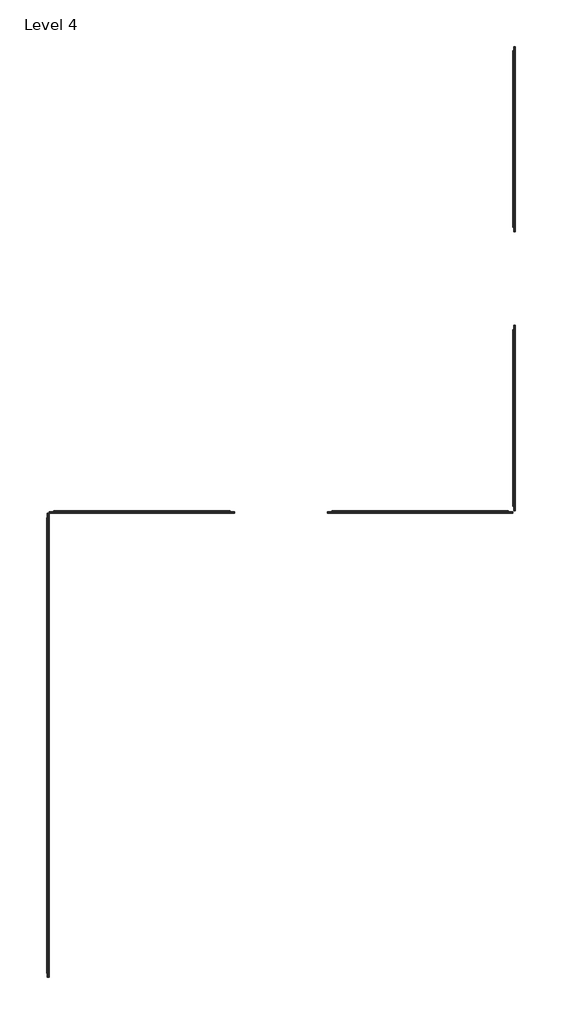
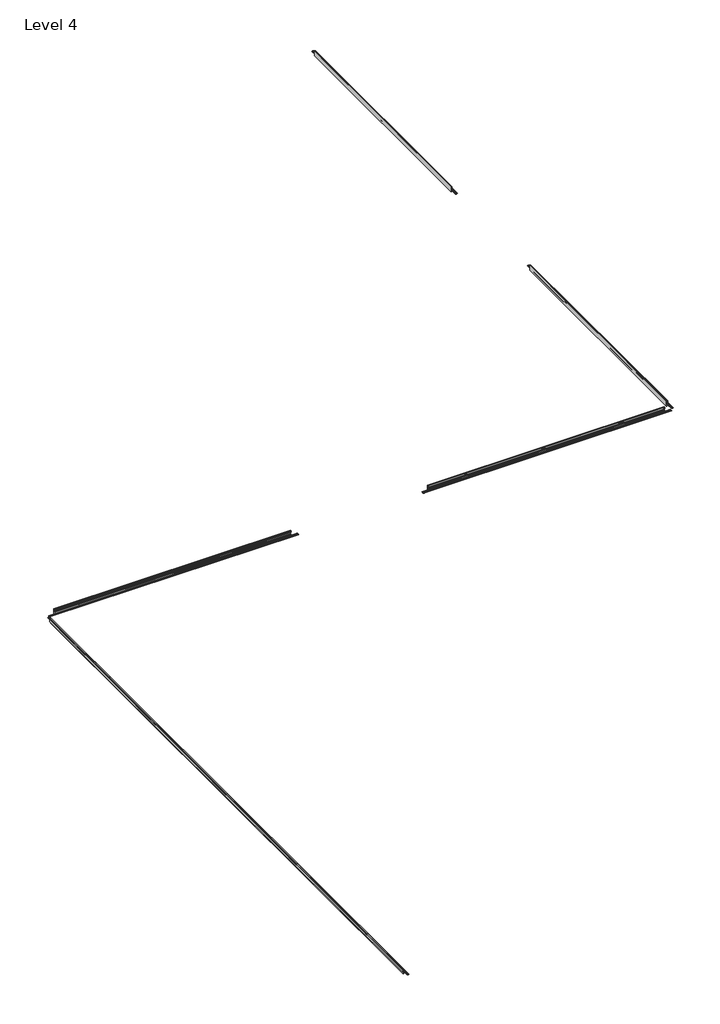
# One storey: 5 proxies.
"""IFC4 building model written with IfcOpenShell, lengths in millimetres."""

import ifcopenshell
import ifcopenshell.guid

model = None  # the IFC model being written
_history = None  # IfcOwnerHistory: only IFC2X3 demands one
_inside = {}  # id of a spatial element -> (the spatial element, [elements in it])
_under = {}  # id of a project, library or spatial element -> (it, [spatial elements below it])
_declared = {}  # id of a project -> (the project, [libraries it declares])
_typed = {}  # id of a type object -> (the type object, [elements of that type])
_made_of = {}  # id of a material, layer set ... -> (it, [elements and type objects made of it])


def new_model(schema):
    """Start an empty IFC model of exactly this schema.

    Asked for "IFC4X3", IfcOpenShell would pick the latest addendum, in which some entities
    have other attributes; the version numbers below select the first issue.
    IFC2X3 requires an IfcOwnerHistory on every rooted entity: one is made here for all.
    """
    global model, _history
    if schema == "IFC4X3":
        model = ifcopenshell.file(schema_version=(4, 3, 0, 0))
    else:
        model = ifcopenshell.file(schema=schema)
    _inside.clear()
    _under.clear()
    _declared.clear()
    _typed.clear()
    _made_of.clear()
    _history = None
    if model.schema == "IFC2X3":
        org = make("IfcOrganization", Name="unknown")
        user = make(
            "IfcPersonAndOrganization",
            ThePerson=make("IfcPerson", FamilyName="unknown"),
            TheOrganization=org,
        )
        app = make(
            "IfcApplication",
            ApplicationDeveloper=org,
            Version="unknown",
            ApplicationFullName="unknown",
            ApplicationIdentifier="unknown",
        )
        _history = make(
            "IfcOwnerHistory",
            OwningUser=user,
            OwningApplication=app,
            ChangeAction="ADDED",
            CreationDate=0,
        )
    return model


def make(cls, **values):
    """One entity of the class cls with the attributes given. An attribute that is None is left unset."""
    return model.create_entity(
        cls, **{name: value for name, value in values.items() if value is not None}
    )


def rooted(cls, **values):
    """An entity with a GlobalId (a new one), such as an element, a storey or a relation."""
    return make(cls, GlobalId=ifcopenshell.guid.new(), OwnerHistory=_history, **values)


def si_unit(unit_type, name, prefix=None):
    """IfcSIUnit, for example si_unit("LENGTHUNIT", "METRE", prefix="MILLI")."""
    return make("IfcSIUnit", UnitType=unit_type, Prefix=prefix, Name=name)


def assignment(units):
    """IfcUnitAssignment: the units of a project."""
    return None if units is None else make("IfcUnitAssignment", Units=units)


def point(xyz):
    """IfcCartesianPoint."""
    return None if xyz is None else make("IfcCartesianPoint", Coordinates=xyz)


def direction(xyz):
    """IfcDirection."""
    return None if xyz is None else make("IfcDirection", DirectionRatios=xyz)


def frame(location, z_axis=None, x_axis=None):
    """IfcAxis2Placement3D, a coordinate frame: its origin and axes. An axis left out is left unset."""
    return make(
        "IfcAxis2Placement3D",
        Location=point(location),
        Axis=direction(z_axis),
        RefDirection=direction(x_axis),
    )


def origin():
    """The frame at (0, 0, 0) with its axes left unset."""
    return frame((0.0, 0.0, 0.0))


def place(relative_to, where):
    """IfcLocalPlacement: puts the frame where relative to a parent placement (None: the world)."""
    return make(
        "IfcLocalPlacement", PlacementRelTo=relative_to, RelativePlacement=where
    )


def context(
    kind, dimensions, precision=None, world=None, true_north=None, identifier=None
):
    """IfcGeometricRepresentationContext, for example the 3D "Model" context."""
    return make(
        "IfcGeometricRepresentationContext",
        ContextIdentifier=identifier,
        ContextType=kind,
        CoordinateSpaceDimension=dimensions,
        Precision=precision,
        WorldCoordinateSystem=world,
        TrueNorth=true_north,
    )


def project(units=None, contexts=None):
    """IfcProject with its units and contexts."""
    return rooted(
        "IfcProject",
        Name="project",
        RepresentationContexts=contexts,
        UnitsInContext=assignment(units),
    )


def spatial(cls, under=None, at=None, **own):
    """A site, building, storey or space (cls), placed at a placement, below another one or the project."""
    s = rooted(cls, ObjectPlacement=at, **own)
    if under is not None:
        _under.setdefault(under.id(), (under, []))[1].append(s)
    return s


def polyline(points):
    """IfcPolyline through the points."""
    return make("IfcPolyline", Points=[point(p) for p in points])


def circle_curve(where, radius):
    """IfcCircle in the frame where."""
    return make("IfcCircle", Position=where, Radius=radius)


def shape(context_of_items, identifier, shape_type, items):
    """IfcShapeRepresentation: the items that make up one representation, for example the "Body"."""
    return make(
        "IfcShapeRepresentation",
        ContextOfItems=context_of_items,
        RepresentationIdentifier=identifier,
        RepresentationType=shape_type,
        Items=items,
    )


def source(mapping_origin, context_of_items, identifier, shape_type, items):
    """IfcRepresentationMap: a shape defined once, which mapped items show again and again."""
    return make(
        "IfcRepresentationMap",
        MappingOrigin=mapping_origin,
        MappedRepresentation=shape(context_of_items, identifier, shape_type, items),
    )


def transform(
    local_origin,
    x_axis=None,
    y_axis=None,
    z_axis=None,
    scale=None,
    scale2=None,
    scale3=None,
    uniform=True,
):
    """IfcCartesianTransformationOperator3D, or its non-uniform kind. x_axis, y_axis, z_axis: its Axis1, 2, 3."""
    if uniform:
        return make(
            "IfcCartesianTransformationOperator3D",
            Axis1=direction(x_axis),
            Axis2=direction(y_axis),
            LocalOrigin=point(local_origin),
            Scale=scale,
            Axis3=direction(z_axis),
        )
    return make(
        "IfcCartesianTransformationOperator3DnonUniform",
        Axis1=direction(x_axis),
        Axis2=direction(y_axis),
        LocalOrigin=point(local_origin),
        Scale=scale,
        Axis3=direction(z_axis),
        Scale2=scale2,
        Scale3=scale3,
    )


def mapped(mapping_source, mapping_target):
    """IfcMappedItem: shows the shape of a source again, moved by a transform."""
    return make(
        "IfcMappedItem", MappingSource=mapping_source, MappingTarget=mapping_target
    )


def made_of(thing, what):
    """Note that an element or type object is made of a material, layer set ...; save() writes the relation."""
    if what is not None:
        _made_of.setdefault(what.id(), (what, []))[1].append(thing)
    return thing


def element(
    cls,
    number,
    at=None,
    inside=None,
    cuts=None,
    type_object=None,
    material=None,
    context=None,
    identifier="Body",
    shape_type=None,
    held_by="IfcProductDefinitionShape",
    body=None,
    shapes=None,
    **own,
):
    """One element of the class cls, such as IfcWall. Its Tag is "e" and its number.

    at: its placement. inside: the storey or other place that contains it. cuts: it is an
    opening in that element (IfcRelVoidsElement). A single representation is given by context,
    identifier, shape_type and body (its items); several are given by shapes. held_by: the class
    of the entity that holds the representations. save() writes the other relations.
    """
    e = rooted(cls, Tag="e%d" % number, ObjectPlacement=at, **own)
    if body is not None:
        shapes = [shape(context, identifier, shape_type, body)]
    if shapes is not None:
        e.Representation = make(held_by, Representations=shapes)
    if inside is not None:
        _inside.setdefault(inside.id(), (inside, []))[1].append(e)
    if cuts is not None:
        rooted(
            "IfcRelVoidsElement", RelatingBuildingElement=cuts, RelatedOpeningElement=e
        )
    if type_object is not None:
        _typed.setdefault(type_object.id(), (type_object, []))[1].append(e)
    return made_of(e, material)


def aggregate(whole, parts):
    """IfcRelAggregates: a whole, such as a stair, and the parts it consists of."""
    return rooted("IfcRelAggregates", RelatingObject=whole, RelatedObjects=parts)


def save(model, path):
    """Write the relations noted so far, then the file.

    IfcRelAggregates (storeys below a building ...), IfcRelContainedInSpatialStructure (elements
    in a storey), IfcRelDefinesByType, IfcRelAssociatesMaterial and IfcRelDeclares: one each for
    every whole, place, type object, material and project.
    """
    for whole, parts in _under.values():
        aggregate(whole, parts)
    for where, things in _inside.values():
        rooted(
            "IfcRelContainedInSpatialStructure",
            RelatedElements=things,
            RelatingStructure=where,
        )
    for kind, things in _typed.values():
        rooted("IfcRelDefinesByType", RelatedObjects=things, RelatingType=kind)
    for what, things in _made_of.values():
        rooted("IfcRelAssociatesMaterial", RelatedObjects=things, RelatingMaterial=what)
    for by, libraries in _declared.values():
        rooted("IfcRelDeclares", RelatingContext=by, RelatedDefinitions=libraries)
    model.write(path)


def plane_surface(at):
    """IfcPlane: the flat surface through the origin of the frame at, square to its z axis."""
    return make("IfcPlane", Position=at)


def cylinder_surface(at, radius):
    """IfcCylindricalSurface: all points at the distance radius from the z axis of the frame at."""
    return make("IfcCylindricalSurface", Position=at, Radius=radius)


def revolved_surface(curve, axis_point, axis_direction):
    """IfcSurfaceOfRevolution: the curve turned about the line through axis_point along axis_direction."""
    return make(
        "IfcSurfaceOfRevolution",
        SweptCurve=make("IfcArbitraryOpenProfileDef", ProfileType="CURVE", Curve=curve),
        AxisPosition=make("IfcAxis1Placement", Location=point(axis_point), Axis=direction(axis_direction)),
    )


def advanced_brep(points, edges, surfaces, faces):
    """IfcAdvancedBrep: a solid bounded by faces that lie on surfaces and meet in shared edges.

    An edge is (start, end): straight between two places in points (the first is 0);
    or (start, end, curve); or (start, end, curve, False) where it runs against its curve.
    A face is (place in surfaces, loops), or (place, loops, False) where it looks against
    its surface's normal. A loop lists edges by number (the first is 1), with a minus sign
    where the edge is run from its end to its start. The first loop is the outer one.
    """
    corners = [point(p) for p in points]
    vertices = [make("IfcVertexPoint", VertexGeometry=c) for c in corners]
    made = []
    for start, end, *more in edges:
        made.append(
            make(
                "IfcEdgeCurve",
                EdgeStart=vertices[start],
                EdgeEnd=vertices[end],
                EdgeGeometry=more[0] if more else make("IfcPolyline", Points=[corners[start], corners[end]]),
                SameSense=more[1] if len(more) > 1 else True,
            )
        )
    hull = []
    for where, loops, *sense in faces:
        bounds = []
        for j, loop in enumerate(loops):
            ring = [make("IfcOrientedEdge", EdgeElement=made[abs(k) - 1], Orientation=k > 0) for k in loop]
            bounds.append(
                make(
                    "IfcFaceOuterBound" if j == 0 else "IfcFaceBound",
                    Bound=make("IfcEdgeLoop", EdgeList=ring),
                    Orientation=True,
                )
            )
        hull.append(make("IfcAdvancedFace", Bounds=bounds, FaceSurface=surfaces[where], SameSense=sense[0] if sense else True))
    return make("IfcAdvancedBrep", Outer=make("IfcClosedShell", CfsFaces=hull))


def proxy_7a3f8114(model_context):
    return source(origin(), model_context, "Body", "AdvancedBrep", [
        advanced_brep(
        [(2132.0125, 10.5664, -14.5120878), (2132.0125, 6.2207723, -14.5120878), (2132.0125, 3.0711723, -14.5120878), (2132.0125, -1.1325276, -14.5120878), (2132.0125, -4.2821276, -14.5120878), (2132.0125, -8.4858276, -14.5120878), (2132.0125, -8.4858276, -16.0868881), (2132.0125, -4.2821276, -16.0868881), (2132.0125, -1.1325276, -16.0868881), (2132.0125, 3.0711723, -16.0868881), (2132.0125, 6.2207723, -16.0868881), (2132.0125, 10.5664, -16.0868881), (0.0, 10.5664, -16.0868881), (0.0, 6.2207723, -16.0868881), (0.0, 3.0711723, -16.0868881), (0.0, -1.1325276, -16.0868881), (0.0, -4.2821276, -16.0868881), (0.0, -8.4858276, -16.0868881), (0.0, -8.4858276, -14.5120878), (0.0, -4.2821276, -14.5120878), (0.0, -1.1325276, -14.5120878), (0.0, 3.0711723, -14.5120878), (0.0, 6.2207723, -14.5120878), (0.0, 10.5664, -14.5120878), (2081.2125, 12.8855416, 21.9656491), (50.8, 12.8855416, 21.9656491), (50.8, 11.756868, 22.4248425), (50.8, 10.5641724, 21.8995653), (2081.2125, 10.5641724, 21.8995653), (2081.2125, 11.756868, 22.4248425), (50.8, 10.5641724, 9.8147622), (2081.2125, 10.5641724, 9.8147622), (50.8, 17.2443724, 9.8147622), (2081.2125, 17.2443724, 9.8147622), (50.8, 18.5143724, 8.5447622), (2081.2125, 18.5143724, 8.5447622), (50.8, 18.5143724, -4.3266878), (2081.2125, 18.5143724, -4.3266878), (50.8, 10.5664, -4.3266878), (2081.2125, 10.5664, -4.3266878), (50.8, 10.5664, -14.5120878), (2081.2125, 10.5664, -14.5120878), (50.8, 10.5641724, -16.0868881), (2081.2125, 10.5664, -16.0868881), (50.8, 10.5664, -17.6616881), (2081.2125, 10.5664, -17.6616881), (50.8, 12.8070246, -17.6616881), (2081.2125, 12.8070246, -17.6616881), (50.8, 14.7028353, -6.590154), (2081.2125, 14.7028353, -6.590154), (50.8, 16.9116736, -6.590154), (2081.2125, 16.9116736, -6.590154), (50.8, 16.9116736, -22.4241878), (2081.2125, 16.9116736, -22.4241878), (50.8, 20.0891724, -22.4241878), (2081.2125, 20.0891724, -22.4241878), (50.8, 20.0891724, 22.4241878), (2081.2125, 20.0891724, 22.4241878), (50.8, 16.9116736, 22.4241878), (2081.2125, 16.9116736, 22.4241878), (50.8, 16.9116736, 11.3895622), (2081.2125, 16.9116736, 11.3895622), (50.8, 14.6965154, 11.3895622), (2081.2125, 14.6965154, 11.3895622)],
        [
            (0, 1),
            (1, 2, circle_curve(frame((2132.0125, 4.6459723, -14.5120878), z_axis=(1.0, 0.0, 0.0), x_axis=(0.0, 1.0, 0.0)), 1.5748)),
            (2, 3),
            (3, 4, circle_curve(frame((2132.0125, -2.7073276, -14.5120878), z_axis=(1.0, 0.0, 0.0), x_axis=(0.0, 1.0, 0.0)), 1.5748)),
            (4, 5),
            (5, 6),
            (6, 7),
            (7, 8, circle_curve(frame((2132.0125, -2.7073276, -16.0868881), z_axis=(1.0, 0.0, 0.0), x_axis=(0.0, 1.0, 0.0)), 1.5748)),
            (8, 9),
            (9, 10, circle_curve(frame((2132.0125, 4.6459723, -16.0868881), z_axis=(1.0, 0.0, 0.0), x_axis=(0.0, 1.0, 0.0)), 1.5748)),
            (10, 11),
            (11, 0),
            (12, 13),
            (13, 14, circle_curve(frame((0.0, 4.6459723, -16.0868881), z_axis=(-1.0, 0.0, 0.0), x_axis=(0.0, 1.0, 0.0)), 1.5748)),
            (14, 15),
            (15, 16, circle_curve(frame((0.0, -2.7073276, -16.0868881), z_axis=(-1.0, 0.0, 0.0), x_axis=(0.0, 1.0, 0.0)), 1.5748)),
            (16, 17),
            (17, 18),
            (18, 19),
            (19, 20, circle_curve(frame((0.0, -2.7073276, -14.5120878), z_axis=(-1.0, 0.0, 0.0), x_axis=(0.0, 1.0, 0.0)), 1.5748)),
            (20, 21),
            (21, 22, circle_curve(frame((0.0, 4.6459723, -14.5120878), z_axis=(-1.0, 0.0, 0.0), x_axis=(0.0, 1.0, 0.0)), 1.5748)),
            (22, 23),
            (23, 12),
            (24, 25),
            (25, 26, circle_curve(frame((50.8, 11.756868, 20.808135), z_axis=(1.0, 0.0, 0.0), x_axis=(0.0, 1.0, 0.0)), 1.6167075)),
            (26, 27, circle_curve(frame((50.8, 11.756868, 20.808135), z_axis=(1.0, 0.0, 0.0), x_axis=(0.0, 1.0, 0.0)), 1.6167075)),
            (27, 28),
            (28, 29, circle_curve(frame((2081.2125, 11.756868, 20.808135), z_axis=(-1.0, 0.0, 0.0), x_axis=(0.0, 1.0, 0.0)), 1.6167075)),
            (29, 24, circle_curve(frame((2081.2125, 11.756868, 20.808135), z_axis=(-1.0, 0.0, 0.0), x_axis=(0.0, 1.0, 0.0)), 1.6167075)),
            (27, 30),
            (30, 31),
            (31, 28),
            (30, 32),
            (32, 33),
            (33, 31),
            (32, 34, circle_curve(frame((50.8, 17.2443724, 8.5447622), z_axis=(-1.0, 0.0, 0.0), x_axis=(0.0, 1.0, 0.0)), 1.27)),
            (34, 35),
            (35, 33, circle_curve(frame((2081.2125, 17.2443724, 8.5447622), z_axis=(1.0, 0.0, 0.0), x_axis=(0.0, 1.0, 0.0)), 1.27)),
            (34, 36),
            (36, 37),
            (37, 35),
            (36, 38),
            (38, 39),
            (39, 37),
            (38, 40),
            (40, 41),
            (41, 39),
            (0, 41),
            (40, 23),
            (22, 1),
            (10, 13),
            (12, 42),
            (42, 43),
            (43, 11),
            (42, 44),
            (44, 45),
            (45, 43),
            (44, 46),
            (46, 47),
            (47, 45),
            (46, 48),
            (48, 49),
            (49, 47),
            (48, 50),
            (50, 51),
            (51, 49),
            (50, 52),
            (52, 53),
            (53, 51),
            (52, 54),
            (54, 55),
            (55, 53),
            (54, 56),
            (56, 57),
            (57, 55),
            (56, 58),
            (58, 59),
            (59, 57),
            (58, 60),
            (60, 61),
            (61, 59),
            (60, 62),
            (62, 63),
            (63, 61),
            (24, 63),
            (62, 25),
            (43, 41),
            (40, 42),
            (21, 2),
            (20, 3),
            (19, 4),
            (18, 5),
            (17, 6),
            (16, 7),
            (15, 8),
            (14, 9),
        ],
        [
            plane_surface(frame((2132.0125, 13.3735755, 20.808135), z_axis=(1.0, 0.0, 0.0), x_axis=(0.0, 0.0, 1.0))),
            plane_surface(frame((0.0, 13.3735755, 20.808135), z_axis=(-1.0, 0.0, 0.0), x_axis=(0.0, 0.0, -1.0))),
            cylinder_surface(frame((0.0, 11.756868, 20.808135), z_axis=(1.0, 0.0, 0.0), x_axis=(0.0, 1.0, 0.0)), 1.6167075),
            plane_surface(frame((2132.0125, 10.5641724, 21.8995653), z_axis=(0.0, -1.0, 0.0), x_axis=(-1.0, 0.0, 0.0))),
            plane_surface(frame((2132.0125, 10.5641724, 9.8147622), z_axis=(0.0, 0.0, -1.0), x_axis=(-1.0, 0.0, 0.0))),
            revolved_surface(polyline([(50.8, 18.5143724, 8.5447622), (2081.2125, 18.5143724, 8.5447622)]), (0.0, 17.2443724, 8.5447622), (-1.0, 0.0, 0.0)),
            plane_surface(frame((2132.0125, 18.5143724, 8.5447622), z_axis=(0.0, -1.0, 0.0), x_axis=(-1.0, 0.0, 0.0))),
            plane_surface(frame((2132.0125, 18.5143724, -4.3266878), z_axis=(0.0, 0.0, 1.0), x_axis=(-1.0, 0.0, 0.0))),
            plane_surface(frame((2132.0125, 10.5664, -4.3266878), z_axis=(0.0, -1.0, 0.0), x_axis=(-1.0, 0.0, 0.0))),
            plane_surface(frame((2132.0125, 10.5664, -14.5120878), z_axis=(0.0, 6.550851548008525e-11, 1.0), x_axis=(-1.0, 0.0, 0.0))),
            plane_surface(frame((2132.0125, 6.2207723, -16.0868881), z_axis=(0.0, 0.0, -1.0), x_axis=(-1.0, 0.0, 0.0))),
            plane_surface(frame((2132.0125, 10.5664, -16.0868881), z_axis=(0.0, -1.0, 0.0), x_axis=(-1.0, 0.0, 0.0))),
            plane_surface(frame((2132.0125, 10.5664, -17.6616881), z_axis=(0.0, -1.2686311474070984e-12, -1.0), x_axis=(-1.0, 0.0, 0.0))),
            plane_surface(frame((2132.0125, 12.8070246, -17.6616881), z_axis=(0.0, 0.9856543593992835, -0.1687764314031673), x_axis=(-1.0, 0.0, 0.0))),
            plane_surface(frame((2132.0125, 14.7028353, -6.590154), z_axis=(0.0, 0.0, -1.0), x_axis=(-1.0, 0.0, 0.0))),
            plane_surface(frame((2132.0125, 16.9116736, -6.590154), z_axis=(0.0, -1.0, 0.0), x_axis=(-1.0, 0.0, 0.0))),
            plane_surface(frame((2132.0125, 16.9116736, -22.4241878), z_axis=(0.0, 0.0, -1.0), x_axis=(-1.0, 0.0, 0.0))),
            plane_surface(frame((2132.0125, 20.0891724, -22.4241878), z_axis=(0.0, 1.0, 0.0), x_axis=(-1.0, 0.0, 0.0))),
            plane_surface(frame((2132.0125, 20.0891724, 22.4241878), z_axis=(0.0, 0.0, 1.0), x_axis=(-1.0, 0.0, 0.0))),
            plane_surface(frame((2132.0125, 16.9116736, 22.4241878), z_axis=(0.0, -1.0, 0.0), x_axis=(-1.0, 0.0, 0.0))),
            plane_surface(frame((2132.0125, 16.9116736, 11.3895622), z_axis=(0.0, 0.0, 1.0), x_axis=(-1.0, 0.0, 0.0))),
            plane_surface(frame((2132.0125, 14.6965154, 11.3895622), z_axis=(0.0, 0.9856543593990678, 0.16877643140442766), x_axis=(-1.0, 0.0, 0.0))),
            plane_surface(frame((2081.2125, 10.5641724, 22.4248425), z_axis=(0.0, 1.0, 0.0), x_axis=(0.0, 0.0, -1.0))),
            plane_surface(frame((2081.2125, 10.5641724, 22.4248425), z_axis=(1.0, 0.0, 0.0), x_axis=(0.0, 1.0, 0.0))),
            plane_surface(frame((50.8, 10.5641724, -22.4241878), z_axis=(-1.0, 0.0, 0.0), x_axis=(0.0, 1.0, 0.0))),
            cylinder_surface(frame((0.0, 4.6459723, -14.5120878), z_axis=(1.0, 0.0, 0.0), x_axis=(0.0, 1.0, 0.0)), 1.5748),
            plane_surface(frame((2132.0125, 3.0711723, -14.5120878), z_axis=(0.0, 6.693990801291056e-11, 1.0), x_axis=(-1.0, 0.0, 0.0))),
            cylinder_surface(frame((0.0, -2.7073276, -14.5120878), z_axis=(1.0, 0.0, 0.0), x_axis=(0.0, 1.0, 0.0)), 1.5748),
            plane_surface(frame((2132.0125, -4.2821276, -14.5120878), z_axis=(0.0, 0.0, 1.0), x_axis=(-1.0, 0.0, 0.0))),
            plane_surface(frame((2132.0125, -8.4858276, -14.5120878), z_axis=(0.0, -1.0, 0.0), x_axis=(-1.0, 0.0, 0.0))),
            plane_surface(frame((2132.0125, -8.4858276, -16.0868881), z_axis=(0.0, 0.0, -1.0), x_axis=(-1.0, 0.0, 0.0))),
            cylinder_surface(frame((0.0, -2.7073276, -16.0868881), z_axis=(1.0, 0.0, 0.0), x_axis=(0.0, 1.0, 0.0)), 1.5748),
            plane_surface(frame((2132.0125, -1.1325276, -16.0868881), z_axis=(0.0, 0.0, -1.0), x_axis=(-1.0, 0.0, 0.0))),
            cylinder_surface(frame((0.0, 4.6459723, -16.0868881), z_axis=(1.0, 0.0, 0.0), x_axis=(0.0, 1.0, 0.0)), 1.5748),
        ],
        [
            (0, [[1, 2, 3, 4, 5, 6, 7, 8, 9, 10, 11, 12]]),
            (1, [[13, 14, 15, 16, 17, 18, 19, 20, 21, 22, 23, 24]]),
            (2, [[25, 26, 27, 28, 29, 30]]),
            (3, [[-28, 31, 32, 33]]),
            (4, [[-32, 34, 35, 36]]),
            (5, [[-35, 37, 38, 39]]),
            (6, [[-38, 40, 41, 42]]),
            (7, [[-41, 43, 44, 45]]),
            (8, [[-44, 46, 47, 48]]),
            (9, [[-1, 49, -47, 50, -23, 51]]),
            (10, [[-11, 52, -13, 53, 54, 55]]),
            (11, [[-54, 56, 57, 58]]),
            (12, [[-57, 59, 60, 61]]),
            (13, [[-60, 62, 63, 64]]),
            (14, [[-63, 65, 66, 67]]),
            (15, [[-66, 68, 69, 70]]),
            (16, [[-69, 71, 72, 73]]),
            (17, [[-72, 74, 75, 76]]),
            (18, [[-75, 77, 78, 79]]),
            (19, [[-78, 80, 81, 82]]),
            (20, [[-81, 83, 84, 85]]),
            (21, [[-25, 86, -84, 87]]),
            (22, [[88, -49, -12, -55]]),
            (22, [[89, -53, -24, -50]]),
            (23, [[-88, -58, -61, -64, -67, -70, -73, -76, -79, -82, -85, -86, -30, -29, -33, -36, -39, -42, -45, -48]]),
            (24, [[-89, -46, -43, -40, -37, -34, -31, -27, -26, -87, -83, -80, -77, -74, -71, -68, -65, -62, -59, -56]]),
            (25, [[-2, -51, -22, 90]]),
            (26, [[-3, -90, -21, 91]]),
            (27, [[-4, -91, -20, 92]]),
            (28, [[-5, -92, -19, 93]]),
            (29, [[-6, -93, -18, 94]]),
            (30, [[-7, -94, -17, 95]]),
            (31, [[-8, -95, -16, 96]]),
            (32, [[-9, -96, -15, 97]]),
            (33, [[-10, -97, -14, -52]]),
        ],
    ),
    ])


def proxy_8dc883f0(model_context):
    return source(origin(), model_context, "Body", "AdvancedBrep", [
        advanced_brep(
        [(2132.0125, -10.5641724, -14.5120878), (2132.0125, -10.5641724, -16.0868881), (2132.0125, -6.2207723, -16.0868881), (2132.0125, -3.0711723, -16.0868881), (2132.0125, 1.1325276, -16.0868881), (2132.0125, 4.2821276, -16.0868881), (2132.0125, 8.4858276, -16.0868881), (2132.0125, 8.4858276, -14.5120878), (2132.0125, 4.2821276, -14.5120878), (2132.0125, 1.1325276, -14.5120878), (2132.0125, -3.0711723, -14.5120878), (2132.0125, -6.2207723, -14.5120878), (0.0, -10.5641724, -16.0868881), (0.0, -10.5641724, -14.5120878), (0.0, -6.2207723, -14.5120878), (0.0, -3.0711723, -14.5120878), (0.0, 1.1325276, -14.5120878), (0.0, 4.2821276, -14.5120878), (0.0, 8.4858276, -14.5120878), (0.0, 8.4858276, -16.0868881), (0.0, 4.2821276, -16.0868881), (0.0, 1.1325276, -16.0868881), (0.0, -3.0711723, -16.0868881), (0.0, -6.2207723, -16.0868881), (2081.2125, -12.8855416, 21.9656491), (2081.2125, -11.756868, 22.4248425), (2081.2125, -10.5641724, 21.8995653), (50.8, -10.5641724, 21.8995653), (50.8, -11.756868, 22.4248425), (50.8, -12.8855416, 21.9656491), (2081.2125, -10.5641724, 9.8147622), (50.8, -10.5641724, 9.8147622), (2081.2125, -17.2443724, 9.8147622), (50.8, -17.2443724, 9.8147622), (2081.2125, -18.5143724, 8.5447622), (50.8, -18.5143724, 8.5447622), (2081.2125, -18.5143724, -4.3266878), (50.8, -18.5143724, -4.3266878), (2081.2125, -10.5664, -4.3266878), (50.8, -10.5664, -4.3266878), (2081.2125, -10.5664, -14.5120878), (50.8, -10.5664, -14.5120878), (2081.2125, -10.5641724, -16.0868881), (50.8, -10.5664, -16.0868881), (2081.2125, -10.5664, -17.6616881), (50.8, -10.5664, -17.6616881), (2081.2125, -12.8070246, -17.6616881), (50.8, -12.8070246, -17.6616881), (2081.2125, -14.7028353, -6.590154), (50.8, -14.7028353, -6.590154), (2081.2125, -16.9116736, -6.590154), (50.8, -16.9116736, -6.590154), (2081.2125, -16.9116736, -22.4241878), (50.8, -16.9116736, -22.4241878), (2081.2125, -20.0891724, -22.4241878), (50.8, -20.0891724, -22.4241878), (2081.2125, -20.0891724, 22.4241878), (50.8, -20.0891724, 22.4241878), (2081.2125, -16.9116736, 22.4241878), (50.8, -16.9116736, 22.4241878), (2081.2125, -16.9116736, 11.3895622), (50.8, -16.9116736, 11.3895622), (2081.2125, -14.6965154, 11.3895622), (50.8, -14.6965154, 11.3895622)],
        [
            (0, 1),
            (1, 2),
            (2, 3, circle_curve(frame((2132.0125, -4.6459723, -16.0868881), z_axis=(1.0, 0.0, 0.0), x_axis=(0.0, -1.0, 0.0)), 1.5748)),
            (3, 4),
            (4, 5, circle_curve(frame((2132.0125, 2.7073276, -16.0868881), z_axis=(1.0, 0.0, 0.0), x_axis=(0.0, -1.0, 0.0)), 1.5748)),
            (5, 6),
            (6, 7),
            (7, 8),
            (8, 9, circle_curve(frame((2132.0125, 2.7073276, -14.5120878), z_axis=(1.0, 0.0, 0.0), x_axis=(0.0, -1.0, 0.0)), 1.5748)),
            (9, 10),
            (10, 11, circle_curve(frame((2132.0125, -4.6459723, -14.5120878), z_axis=(1.0, 0.0, 0.0), x_axis=(0.0, -1.0, 0.0)), 1.5748)),
            (11, 0),
            (12, 13),
            (13, 14),
            (14, 15, circle_curve(frame((0.0, -4.6459723, -14.5120878), z_axis=(-1.0, 0.0, 0.0), x_axis=(0.0, -1.0, 0.0)), 1.5748)),
            (15, 16),
            (16, 17, circle_curve(frame((0.0, 2.7073276, -14.5120878), z_axis=(-1.0, 0.0, 0.0), x_axis=(0.0, -1.0, 0.0)), 1.5748)),
            (17, 18),
            (18, 19),
            (19, 20),
            (20, 21, circle_curve(frame((0.0, 2.7073276, -16.0868881), z_axis=(-1.0, 0.0, 0.0), x_axis=(0.0, -1.0, 0.0)), 1.5748)),
            (21, 22),
            (22, 23, circle_curve(frame((0.0, -4.6459723, -16.0868881), z_axis=(-1.0, 0.0, 0.0), x_axis=(0.0, -1.0, 0.0)), 1.5748)),
            (23, 12),
            (24, 25, circle_curve(frame((2081.2125, -11.756868, 20.808135), z_axis=(-1.0, 0.0, 0.0), x_axis=(0.0, -1.0, 0.0)), 1.6167075)),
            (25, 26, circle_curve(frame((2081.2125, -11.756868, 20.808135), z_axis=(-1.0, 0.0, 0.0), x_axis=(0.0, -1.0, 0.0)), 1.6167075)),
            (26, 27),
            (27, 28, circle_curve(frame((50.8, -11.756868, 20.808135), z_axis=(1.0, 0.0, 0.0), x_axis=(0.0, -1.0, 0.0)), 1.6167075)),
            (28, 29, circle_curve(frame((50.8, -11.756868, 20.808135), z_axis=(1.0, 0.0, 0.0), x_axis=(0.0, -1.0, 0.0)), 1.6167075)),
            (29, 24),
            (26, 30),
            (30, 31),
            (31, 27),
            (30, 32),
            (32, 33),
            (33, 31),
            (32, 34, circle_curve(frame((2081.2125, -17.2443724, 8.5447622), z_axis=(1.0, 0.0, 0.0), x_axis=(0.0, -1.0, 0.0)), 1.27)),
            (34, 35),
            (35, 33, circle_curve(frame((50.8, -17.2443724, 8.5447622), z_axis=(-1.0, 0.0, 0.0), x_axis=(0.0, -1.0, 0.0)), 1.27)),
            (34, 36),
            (36, 37),
            (37, 35),
            (36, 38),
            (38, 39),
            (39, 37),
            (38, 40),
            (40, 41),
            (41, 39),
            (11, 14),
            (13, 41),
            (40, 0),
            (1, 42),
            (42, 43),
            (43, 12),
            (23, 2),
            (42, 44),
            (44, 45),
            (45, 43),
            (44, 46),
            (46, 47),
            (47, 45),
            (46, 48),
            (48, 49),
            (49, 47),
            (48, 50),
            (50, 51),
            (51, 49),
            (50, 52),
            (52, 53),
            (53, 51),
            (52, 54),
            (54, 55),
            (55, 53),
            (54, 56),
            (56, 57),
            (57, 55),
            (56, 58),
            (58, 59),
            (59, 57),
            (58, 60),
            (60, 61),
            (61, 59),
            (60, 62),
            (62, 63),
            (63, 61),
            (29, 63),
            (62, 24),
            (43, 41),
            (40, 42),
            (10, 15),
            (9, 16),
            (8, 17),
            (7, 18),
            (6, 19),
            (5, 20),
            (4, 21),
            (3, 22),
        ],
        [
            plane_surface(frame((2132.0125, -13.3735755, 20.808135), z_axis=(1.0, 0.0, 0.0), x_axis=(0.0, 0.0, 1.0))),
            plane_surface(frame((0.0, -13.3735755, 20.808135), z_axis=(-1.0, 0.0, 0.0), x_axis=(0.0, 0.0, -1.0))),
            cylinder_surface(frame((0.0, -11.756868, 20.808135), z_axis=(1.0, 0.0, 0.0), x_axis=(0.0, -1.0, 0.0)), 1.6167075),
            plane_surface(frame((2132.0125, -10.5641724, 21.8995653), z_axis=(0.0, 1.0, 0.0), x_axis=(-1.0, 0.0, 0.0))),
            plane_surface(frame((2132.0125, -10.5641724, 9.8147622), z_axis=(0.0, 0.0, -1.0), x_axis=(-1.0, 0.0, 0.0))),
            revolved_surface(polyline([(50.8, -18.5143724, 8.5447622), (2081.2125, -18.5143724, 8.5447622)]), (0.0, -17.2443724, 8.5447622), (-1.0, 0.0, 0.0)),
            plane_surface(frame((2132.0125, -18.5143724, 8.5447622), z_axis=(0.0, 1.0, 0.0), x_axis=(-1.0, 0.0, 0.0))),
            plane_surface(frame((2132.0125, -18.5143724, -4.3266878), z_axis=(0.0, 0.0, 1.0), x_axis=(-1.0, 0.0, 0.0))),
            plane_surface(frame((2132.0125, -10.5664, -4.3266878), z_axis=(0.0, 1.0, 0.0), x_axis=(-1.0, 0.0, 0.0))),
            plane_surface(frame((2132.0125, -10.5664, -14.5120878), z_axis=(0.0, -6.550851548008525e-11, 1.0), x_axis=(-1.0, 0.0, 0.0))),
            plane_surface(frame((2132.0125, -6.2207723, -16.0868881), z_axis=(0.0, 0.0, -1.0), x_axis=(-1.0, 0.0, 0.0))),
            plane_surface(frame((2132.0125, -10.5664, -16.0868881), z_axis=(0.0, 1.0, 0.0), x_axis=(-1.0, 0.0, 0.0))),
            plane_surface(frame((2132.0125, -10.5664, -17.6616881), z_axis=(0.0, 1.2686311474070984e-12, -1.0), x_axis=(-1.0, 0.0, 0.0))),
            plane_surface(frame((2132.0125, -12.8070246, -17.6616881), z_axis=(0.0, -0.9856543593992835, -0.1687764314031673), x_axis=(-1.0, 0.0, 0.0))),
            plane_surface(frame((2132.0125, -14.7028353, -6.590154), z_axis=(0.0, 0.0, -1.0), x_axis=(-1.0, 0.0, 0.0))),
            plane_surface(frame((2132.0125, -16.9116736, -6.590154), z_axis=(0.0, 1.0, 0.0), x_axis=(-1.0, 0.0, 0.0))),
            plane_surface(frame((2132.0125, -16.9116736, -22.4241878), z_axis=(0.0, 0.0, -1.0), x_axis=(-1.0, 0.0, 0.0))),
            plane_surface(frame((2132.0125, -20.0891724, -22.4241878), z_axis=(0.0, -1.0, 0.0), x_axis=(-1.0, 0.0, 0.0))),
            plane_surface(frame((2132.0125, -20.0891724, 22.4241878), z_axis=(0.0, 0.0, 1.0), x_axis=(-1.0, 0.0, 0.0))),
            plane_surface(frame((2132.0125, -16.9116736, 22.4241878), z_axis=(0.0, 1.0, 0.0), x_axis=(-1.0, 0.0, 0.0))),
            plane_surface(frame((2132.0125, -16.9116736, 11.3895622), z_axis=(0.0, 0.0, 1.0), x_axis=(-1.0, 0.0, 0.0))),
            plane_surface(frame((2132.0125, -14.6965154, 11.3895622), z_axis=(0.0, -0.9856543593990678, 0.16877643140442766), x_axis=(-1.0, 0.0, 0.0))),
            plane_surface(frame((2081.2125, -10.5641724, 22.4248425), z_axis=(0.0, -1.0, 0.0), x_axis=(0.0, 0.0, -1.0))),
            plane_surface(frame((2081.2125, -10.5641724, 22.4248425), z_axis=(1.0, 0.0, 0.0), x_axis=(0.0, -1.0, 0.0))),
            plane_surface(frame((50.8, -10.5641724, -22.4241878), z_axis=(-1.0, 0.0, 0.0), x_axis=(0.0, -1.0, 0.0))),
            cylinder_surface(frame((0.0, -4.6459723, -14.5120878), z_axis=(1.0, 0.0, 0.0), x_axis=(0.0, -1.0, 0.0)), 1.5748),
            plane_surface(frame((2132.0125, -3.0711723, -14.5120878), z_axis=(0.0, -6.693990801291056e-11, 1.0), x_axis=(-1.0, 0.0, 0.0))),
            cylinder_surface(frame((0.0, 2.7073276, -14.5120878), z_axis=(1.0, 0.0, 0.0), x_axis=(0.0, -1.0, 0.0)), 1.5748),
            plane_surface(frame((2132.0125, 4.2821276, -14.5120878), z_axis=(0.0, 0.0, 1.0), x_axis=(-1.0, 0.0, 0.0))),
            plane_surface(frame((2132.0125, 8.4858276, -14.5120878), z_axis=(0.0, 1.0, 0.0), x_axis=(-1.0, 0.0, 0.0))),
            plane_surface(frame((2132.0125, 8.4858276, -16.0868881), z_axis=(0.0, 0.0, -1.0), x_axis=(-1.0, 0.0, 0.0))),
            cylinder_surface(frame((0.0, 2.7073276, -16.0868881), z_axis=(1.0, 0.0, 0.0), x_axis=(0.0, -1.0, 0.0)), 1.5748),
            plane_surface(frame((2132.0125, 1.1325276, -16.0868881), z_axis=(0.0, 0.0, -1.0), x_axis=(-1.0, 0.0, 0.0))),
            cylinder_surface(frame((0.0, -4.6459723, -16.0868881), z_axis=(1.0, 0.0, 0.0), x_axis=(0.0, -1.0, 0.0)), 1.5748),
        ],
        [
            (0, [[1, 2, 3, 4, 5, 6, 7, 8, 9, 10, 11, 12]]),
            (1, [[13, 14, 15, 16, 17, 18, 19, 20, 21, 22, 23, 24]]),
            (2, [[25, 26, 27, 28, 29, 30]]),
            (3, [[31, 32, 33, -27]]),
            (4, [[34, 35, 36, -32]]),
            (5, [[37, 38, 39, -35]]),
            (6, [[40, 41, 42, -38]]),
            (7, [[43, 44, 45, -41]]),
            (8, [[46, 47, 48, -44]]),
            (9, [[49, -14, 50, -47, 51, -12]]),
            (10, [[52, 53, 54, -24, 55, -2]]),
            (11, [[56, 57, 58, -53]]),
            (12, [[59, 60, 61, -57]]),
            (13, [[62, 63, 64, -60]]),
            (14, [[65, 66, 67, -63]]),
            (15, [[68, 69, 70, -66]]),
            (16, [[71, 72, 73, -69]]),
            (17, [[74, 75, 76, -72]]),
            (18, [[77, 78, 79, -75]]),
            (19, [[80, 81, 82, -78]]),
            (20, [[83, 84, 85, -81]]),
            (21, [[86, -84, 87, -30]]),
            (22, [[-50, -13, -54, 88]]),
            (22, [[-52, -1, -51, 89]]),
            (23, [[-46, -43, -40, -37, -34, -31, -26, -25, -87, -83, -80, -77, -74, -71, -68, -65, -62, -59, -56, -89]]),
            (24, [[-58, -61, -64, -67, -70, -73, -76, -79, -82, -85, -86, -29, -28, -33, -36, -39, -42, -45, -48, -88]]),
            (25, [[90, -15, -49, -11]]),
            (26, [[91, -16, -90, -10]]),
            (27, [[92, -17, -91, -9]]),
            (28, [[93, -18, -92, -8]]),
            (29, [[94, -19, -93, -7]]),
            (30, [[95, -20, -94, -6]]),
            (31, [[96, -21, -95, -5]]),
            (32, [[97, -22, -96, -4]]),
            (33, [[-55, -23, -97, -3]]),
        ],
    ),
    ])


def proxy_6e6985d3(model_context):
    return source(origin(), model_context, "Body", "AdvancedBrep", [
        advanced_brep(
        [(5338.5640625, -6.1976, -14.5150656), (5338.5640625, -10.5664, -14.5150656), (5338.5640625, -10.5664, -16.089866), (5338.5640625, -6.1976, -16.089866), (5338.5640625, -3.048, -16.089866), (5338.5640625, 1.1557, -16.089866), (5338.5640625, 4.3053, -16.089866), (5338.5640625, 8.509, -16.089866), (5338.5640625, 8.509, -14.5150656), (5338.5640625, 4.3053, -14.5150656), (5338.5640625, 1.1557, -14.5150656), (5338.5640625, -3.048, -14.5150656), (0.0, -10.5664, -16.089866), (0.0, -10.5664, -14.5150656), (0.0, -6.1976, -14.5150656), (0.0, -3.048, -14.5150656), (0.0, 1.1557, -14.5150656), (0.0, 4.3053, -14.5150656), (0.0, 8.509, -14.5150656), (0.0, 8.509, -16.089866), (0.0, 4.3053, -16.089866), (0.0, 1.1557, -16.089866), (0.0, -3.048, -16.089866), (0.0, -6.1976, -16.089866), (5287.7640625, -20.0914, -16.0898656), (5287.7640625, -20.0914, -1.1800656), (50.8, -20.0914, -1.1800656), (50.8, -20.0914, -16.0898656), (50.8, -14.673343, -16.0898656), (5287.7640625, -14.673343, -16.0898656), (5287.7640625, -14.698743, -1.1800656), (50.8, -14.698743, -1.1800656), (5287.7640625, -12.8877692, 9.3960213), (50.8, -12.8877692, 9.3960213), (5287.7640625, -10.5664, 9.3299375), (50.8, -10.5664, 9.3299375), (5287.7640625, -10.5664, -2.7548656), (50.8, -10.5664, -2.7548656), (5287.7640625, -17.2466, -2.7548656), (50.8, -17.2466, -2.7548656), (5287.7640625, -18.5166, -4.0248656), (50.8, -18.5166, -4.0248656), (5287.7640625, -18.5166, -14.5150656), (50.8, -18.5166, -14.5150656), (50.8, -10.5664, -14.5150656), (5287.7640625, -10.5664, -14.5150656), (5287.7640625, -10.5664, -16.089866), (50.8, -10.541, -16.089866), (5287.7640625, -10.541, -35.2950182), (50.8, -10.541, -35.2950182), (5287.7640625, -12.8623692, -35.361102), (50.8, -12.8623692, -35.361102), (5287.7640625, -14.673343, -24.7850151), (50.8, -14.673343, -24.7850151)],
        [
            (0, 1),
            (1, 2),
            (2, 3),
            (3, 4, circle_curve(frame((5338.5640625, -4.6228, -16.089866), z_axis=(1.0, 0.0, 0.0), x_axis=(0.0, -1.0, 0.0)), 1.5748)),
            (4, 5),
            (5, 6, circle_curve(frame((5338.5640625, 2.7305, -16.089866), z_axis=(1.0, 0.0, 0.0), x_axis=(0.0, -1.0, 0.0)), 1.5748)),
            (6, 7),
            (7, 8),
            (8, 9),
            (9, 10, circle_curve(frame((5338.5640625, 2.7305, -14.5150656), z_axis=(1.0, 0.0, 0.0), x_axis=(0.0, -1.0, 0.0)), 1.5748)),
            (10, 11),
            (11, 0, circle_curve(frame((5338.5640625, -4.6228, -14.5150656), z_axis=(1.0, 0.0, 0.0), x_axis=(0.0, -1.0, 0.0)), 1.5748)),
            (12, 13),
            (13, 14),
            (14, 15, circle_curve(frame((0.0, -4.6228, -14.5150656), z_axis=(-1.0, 0.0, 0.0), x_axis=(0.0, -1.0, 0.0)), 1.5748)),
            (15, 16),
            (16, 17, circle_curve(frame((0.0, 2.7305, -14.5150656), z_axis=(-1.0, 0.0, 0.0), x_axis=(0.0, -1.0, 0.0)), 1.5748)),
            (17, 18),
            (18, 19),
            (19, 20),
            (20, 21, circle_curve(frame((0.0, 2.7305, -16.089866), z_axis=(-1.0, 0.0, 0.0), x_axis=(0.0, -1.0, 0.0)), 1.5748)),
            (21, 22),
            (22, 23, circle_curve(frame((0.0, -4.6228, -16.089866), z_axis=(-1.0, 0.0, 0.0), x_axis=(0.0, -1.0, 0.0)), 1.5748)),
            (23, 12),
            (24, 25),
            (25, 26),
            (26, 27),
            (27, 24),
            (27, 28),
            (28, 29),
            (29, 24),
            (25, 30),
            (30, 31),
            (31, 26),
            (30, 32),
            (32, 33),
            (33, 31),
            (32, 34, circle_curve(frame((5287.7640625, -11.7590956, 8.2385071), z_axis=(-1.0, 0.0, 0.0), x_axis=(0.0, -1.0, 0.0)), 1.6167075)),
            (34, 35),
            (35, 33, circle_curve(frame((50.8, -11.7590956, 8.2385071), z_axis=(1.0, 0.0, 0.0), x_axis=(0.0, -1.0, 0.0)), 1.6167075)),
            (34, 36),
            (36, 37),
            (37, 35),
            (36, 38),
            (38, 39),
            (39, 37),
            (38, 40, circle_curve(frame((5287.7640625, -17.2466, -4.0248656), z_axis=(1.0, 0.0, 0.0), x_axis=(0.0, -1.0, 0.0)), 1.27)),
            (40, 41),
            (41, 39, circle_curve(frame((50.8, -17.2466, -4.0248656), z_axis=(-1.0, 0.0, 0.0), x_axis=(0.0, -1.0, 0.0)), 1.27)),
            (40, 42),
            (42, 43),
            (43, 41),
            (13, 44),
            (44, 43),
            (42, 45),
            (45, 1),
            (0, 14),
            (11, 15),
            (10, 16),
            (9, 17),
            (8, 18),
            (7, 19),
            (6, 20),
            (5, 21),
            (4, 22),
            (3, 23),
            (2, 46),
            (46, 47),
            (47, 12),
            (46, 48),
            (48, 49),
            (49, 47),
            (48, 50, circle_curve(frame((5287.7640625, -11.7336765, -34.2042605), z_axis=(-1.0, 0.0, 0.0), x_axis=(0.0, -1.0, 0.0)), 1.6162393)),
            (50, 51),
            (51, 49, circle_curve(frame((50.8, -11.7336765, -34.2042605), z_axis=(1.0, 0.0, 0.0), x_axis=(0.0, -1.0, 0.0)), 1.6162393)),
            (50, 52),
            (52, 53),
            (53, 51),
            (28, 53),
            (52, 29),
            (46, 45),
            (47, 44),
        ],
        [
            plane_surface(frame((5338.5640625, -20.0914, -1.1800656), z_axis=(1.0, 0.0, 0.0), x_axis=(0.0, 0.0, 1.0))),
            plane_surface(frame((0.0, -20.0914, -1.1800656), z_axis=(-1.0, 0.0, 0.0), x_axis=(0.0, 0.0, -1.0))),
            plane_surface(frame((5338.5640625, -20.0914, -16.0898656), z_axis=(0.0, -1.0, 0.0), x_axis=(-1.0, 0.0, 0.0))),
            plane_surface(frame((5338.5640625, -14.673343, -16.0898656), z_axis=(0.0, 0.0, -1.0), x_axis=(-1.0, 0.0, 0.0))),
            plane_surface(frame((5338.5640625, -20.0914, -1.1800656), z_axis=(0.0, 0.0, 1.0), x_axis=(-1.0, 0.0, 0.0))),
            plane_surface(frame((5338.5640625, -14.698743, -1.1800656), z_axis=(0.0, -0.9856543593881546, 0.16877643146816007), x_axis=(-1.0, 0.0, 0.0))),
            cylinder_surface(frame((0.0, -11.7590956, 8.2385071), z_axis=(1.0, 0.0, 0.0), x_axis=(0.0, -1.0, 0.0)), 1.6167075),
            plane_surface(frame((5338.5640625, -10.5664, 9.3299375), z_axis=(0.0, 1.0, 0.0), x_axis=(-1.0, 0.0, 0.0))),
            plane_surface(frame((5338.5640625, -10.5664, -2.7548656), z_axis=(0.0, 1.0357842593800644e-11, -1.0), x_axis=(-1.0, 0.0, 0.0))),
            revolved_surface(polyline([(50.8, -18.5166, -4.0248656), (5287.7640625, -18.5166, -4.0248656)]), (0.0, -17.2466, -4.0248656), (-1.0, 0.0, 0.0)),
            plane_surface(frame((5338.5640625, -18.5166, -4.0248656), z_axis=(0.0, 1.0, 0.0), x_axis=(-1.0, 0.0, 0.0))),
            plane_surface(frame((5338.5640625, -18.5166, -14.5150656), z_axis=(0.0, -2.2864871485719276e-11, 1.0), x_axis=(-1.0, 0.0, 0.0))),
            cylinder_surface(frame((0.0, -4.6228, -14.5150656), z_axis=(1.0, 0.0, 0.0), x_axis=(0.0, -1.0, 0.0)), 1.5748),
            plane_surface(frame((5338.5640625, -3.048, -14.5150656), z_axis=(0.0, -6.693487679072828e-11, 1.0), x_axis=(-1.0, 0.0, 0.0))),
            cylinder_surface(frame((0.0, 2.7305, -14.5150656), z_axis=(1.0, 0.0, 0.0), x_axis=(0.0, -1.0, 0.0)), 1.5748),
            plane_surface(frame((5338.5640625, 4.3053, -14.5150656), z_axis=(0.0, 0.0, 1.0), x_axis=(-1.0, 0.0, 0.0))),
            plane_surface(frame((5338.5640625, 8.509, -14.5150656), z_axis=(0.0, 1.0, 0.0), x_axis=(-1.0, 0.0, 0.0))),
            plane_surface(frame((5338.5640625, 8.509, -16.089866), z_axis=(0.0, 0.0, -1.0), x_axis=(-1.0, 0.0, 0.0))),
            cylinder_surface(frame((0.0, 2.7305, -16.089866), z_axis=(1.0, 0.0, 0.0), x_axis=(0.0, -1.0, 0.0)), 1.5748),
            plane_surface(frame((5338.5640625, 1.1557, -16.089866), z_axis=(0.0, 0.0, -1.0), x_axis=(-1.0, 0.0, 0.0))),
            cylinder_surface(frame((0.0, -4.6228, -16.089866), z_axis=(1.0, 0.0, 0.0), x_axis=(0.0, -1.0, 0.0)), 1.5748),
            plane_surface(frame((5338.5640625, -6.1976, -16.089866), z_axis=(0.0, 0.0, -1.0), x_axis=(-1.0, 0.0, 0.0))),
            plane_surface(frame((5338.5640625, -10.541, -16.089866), z_axis=(0.0, 1.0, 0.0), x_axis=(-1.0, 0.0, 0.0))),
            cylinder_surface(frame((0.0, -11.7336765, -34.2042605), z_axis=(1.0, 0.0, 0.0), x_axis=(0.0, -1.0, 0.0)), 1.6162393),
            plane_surface(frame((5338.5640625, -12.8623692, -35.361102), z_axis=(0.0, -0.9856543594196774, -0.16877643128406722), x_axis=(-1.0, 0.0, 0.0))),
            plane_surface(frame((5338.5640625, -14.673343, -24.7850151), z_axis=(0.0, -1.0, 0.0), x_axis=(-1.0, 0.0, 0.0))),
            plane_surface(frame((5287.7640625, -20.0914, 10.7414277), z_axis=(1.0, 0.0, 0.0), x_axis=(0.0, 0.0, -1.0))),
            plane_surface(frame((5287.7640625, -10.5664, 10.7414277), z_axis=(0.0, -1.0, 0.0), x_axis=(0.0, 0.0, -1.0))),
            plane_surface(frame((0.0, -10.5664, 10.7414277), z_axis=(0.0, -1.0, 0.0), x_axis=(0.0, 0.0, -1.0))),
            plane_surface(frame((50.8, -10.5664, 10.7414277), z_axis=(-1.0, 0.0, 0.0), x_axis=(0.0, 0.0, -1.0))),
        ],
        [
            (0, [[1, 2, 3, 4, 5, 6, 7, 8, 9, 10, 11, 12]]),
            (1, [[13, 14, 15, 16, 17, 18, 19, 20, 21, 22, 23, 24]]),
            (2, [[25, 26, 27, 28]]),
            (3, [[29, 30, 31, -28]]),
            (4, [[32, 33, 34, -26]]),
            (5, [[35, 36, 37, -33]]),
            (6, [[38, 39, 40, -36]]),
            (7, [[41, 42, 43, -39]]),
            (8, [[44, 45, 46, -42]]),
            (9, [[47, 48, 49, -45]]),
            (10, [[50, 51, 52, -48]]),
            (11, [[-14, 53, 54, -51, 55, 56, -1, 57]]),
            (12, [[58, -15, -57, -12]]),
            (13, [[59, -16, -58, -11]]),
            (14, [[60, -17, -59, -10]]),
            (15, [[61, -18, -60, -9]]),
            (16, [[62, -19, -61, -8]]),
            (17, [[63, -20, -62, -7]]),
            (18, [[64, -21, -63, -6]]),
            (19, [[65, -22, -64, -5]]),
            (20, [[66, -23, -65, -4]]),
            (21, [[67, 68, 69, -24, -66, -3]]),
            (22, [[70, 71, 72, -68]]),
            (23, [[73, 74, 75, -71]]),
            (24, [[76, 77, 78, -74]]),
            (25, [[79, -77, 80, -30]]),
            (26, [[-55, -50, -47, -44, -41, -38, -35, -32, -25, -31, -80, -76, -73, -70, 81]]),
            (27, [[-67, -2, -56, -81]]),
            (28, [[-53, -13, -69, 82]]),
            (29, [[-72, -75, -78, -79, -29, -27, -34, -37, -40, -43, -46, -49, -52, -54, -82]]),
        ],
    ),
    ])


model = new_model("IFC4")

# Units and contexts
model_context = context("Model", 3, world=origin())
ifc_project = project(units=[si_unit("LENGTHUNIT", "METRE", prefix="MILLI")], contexts=[model_context])

# Site, building, storey
site = spatial("IfcSite", under=ifc_project)
building = spatial("IfcBuilding", under=site)
storey = spatial("IfcBuildingStorey", under=building, Name="Level 4", Elevation=3048.0)

# Proxies
placement = place(None, origin())
proxy_shape = proxy_7a3f8114(model_context)
element("IfcBuildingElementProxy", 1, Name="SHA-420 Horizontal Joint - TRIM : L 6' 11 15/16\"", ObjectType="SHA-420 Horizontal Joint - TRIM : L 6' 11 15/16\"", at=placement, inside=storey, context=model_context, shape_type="MappedRepresentation", body=[
    mapped(proxy_shape, transform((3192.3734265, 6363.3790593, 2144.8903444), x_axis=(1.0, 0.0, 0.0), y_axis=(0.0, 1.0, 0.0), z_axis=(0.0, 0.0, 1.0))),
])
element("IfcBuildingElementProxy", 2, Name="SHA-420 Horizontal Joint - TRIM : L 6' 11 15/16\"", ObjectType="SHA-420 Horizontal Joint - TRIM : L 6' 11 15/16\"", at=placement, inside=storey, context=model_context, shape_type="MappedRepresentation", body=[
    mapped(proxy_shape, transform((-12.7128735, 6363.3790593, 2144.8903444), x_axis=(1.0, 0.0, 0.0), y_axis=(0.0, 1.0, 0.0), z_axis=(0.0, 0.0, 1.0))),
])
proxy_2_shape = proxy_8dc883f0(model_context)
element("IfcBuildingElementProxy", 3, Name="SHA-420 Horizontal Joint - TRIM : L 6' 11 15/16\"", ObjectType="SHA-420 Horizontal Joint - TRIM : L 6' 11 15/16\"", at=placement, inside=storey, context=model_context, shape_type="MappedRepresentation", body=[
    mapped(proxy_2_shape, transform((5345.9721347, 8517.0095711, 2144.9040554), x_axis=(0.0, -1.0000000000000002, 0.0), y_axis=(1.0000000000000002, 0.0, 0.0), z_axis=(0.0, 0.0, 1.0))),
])
element("IfcBuildingElementProxy", 4, Name="SHA-420 Horizontal Joint - TRIM : L 6' 11 15/16\"", ObjectType="SHA-420 Horizontal Joint - TRIM : L 6' 11 15/16\"", at=placement, inside=storey, context=model_context, shape_type="MappedRepresentation", body=[
    mapped(proxy_2_shape, transform((5345.9721347, 11722.0718484, 2144.9040554), x_axis=(0.0, -1.0000000000000002, 0.0), y_axis=(1.0000000000000002, 0.0, 0.0), z_axis=(0.0, 0.0, 1.0))),
])
proxy_3_shape = proxy_6e6985d3(model_context)
element("IfcBuildingElementProxy", 5, Name="SHA-420 alt Horizontal Joint - TRIM : L 17' 6 23/128\"", ObjectType="SHA-420 alt Horizontal Joint - TRIM : L 17' 6 23/128\"", at=placement, inside=storey, context=model_context, shape_type="MappedRepresentation", body=[
    mapped(proxy_3_shape, transform((-22.6833894, 6353.3465325, 2144.9040554), x_axis=(0.0, -1.0000000000000002, 0.0), y_axis=(1.0000000000000002, 0.0, 0.0), z_axis=(0.0, 0.0, 1.0))),
])

save(model, "model.ifc")
